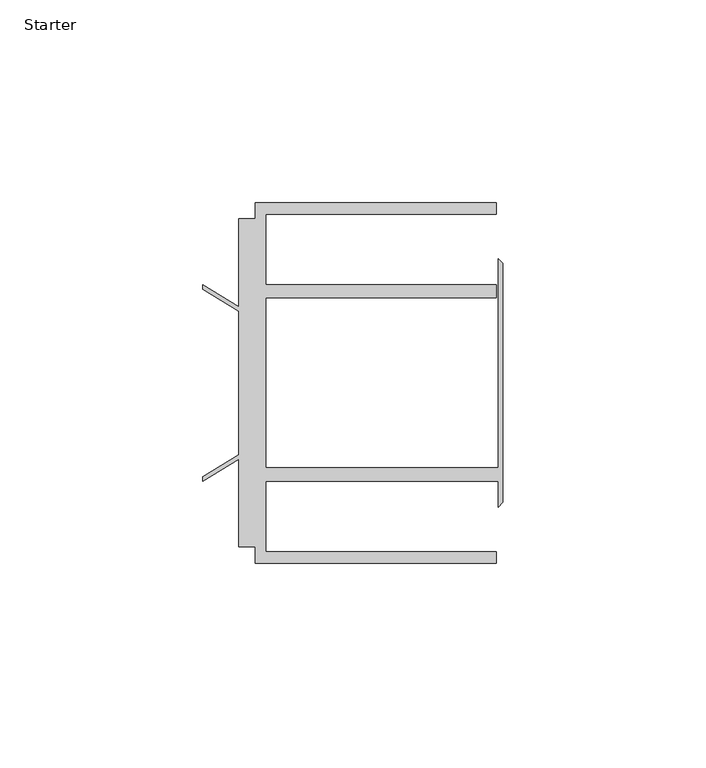
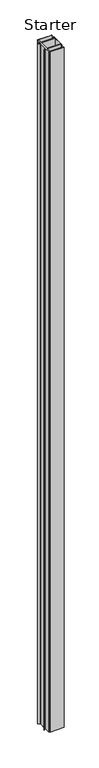
"""IFC4 building model written with IfcOpenShell, lengths in millimetres: furniture geometry, Starter."""

from ifc_helpers import new_model, si_unit, origin, origin_with_axes, place, context, project, spatial, polyline, outline, extrude, source, transform, mapped, element, save


def starter_2697f179(model_context):
    return source(origin(), model_context, "Body", "SweptSolid", [
        extrude(outline(polyline([(33.9771533, 59.951805), (93.4771531, 59.951805), (93.4771531, 57.1518064), (36.5771534, 57.1518064), (36.5771534, 39.7518058), (93.4771531, 39.7518058), (93.4771531, 36.4518057), (36.5771534, 36.4518057), (36.5771534, -5.4481956), (93.9195633, -5.4481956), (93.9195633, 46.1177636), (95.0646531, 44.9726737), (95.0646531, -13.9690637), (93.9195633, -15.1141535), (93.9195633, -8.7481957), (36.5771534, -8.7481957), (36.5771534, -26.1481963), (93.4771531, -26.1481963), (93.4771531, -28.948195), (33.9771533, -28.948195), (33.9771533, -24.9481962), (29.9771531, -24.9481962), (29.9771531, -3.3413694), (21.0330919, -8.7481957), (21.0330919, -7.5934952), (29.9771531, -2.1866688), (29.9771531, 33.1902789), (21.0330919, 38.5971052), (21.0330919, 39.7518058), (29.9771531, 34.3449795), (29.9771531, 55.9518063), (33.9771533, 55.9518063), (33.9771533, 59.951805)])), origin_with_axes(), (0.0, 0.0, 1.0), 3048.0),
    ])


if __name__ == "__main__":
    model = new_model("IFC4")
    model_context = context("Model", 3, world=origin())
    ifc_project = project(units=[si_unit("LENGTHUNIT", "METRE", prefix="MILLI")], contexts=[model_context])
    site = spatial("IfcSite", under=ifc_project)
    building = spatial("IfcBuilding", under=site)
    placement = place(None, origin())
    starter_shape = starter_2697f179(model_context)
    element("IfcFurniture", 1, ObjectType="Starter", at=placement, inside=building, context=model_context, shape_type="MappedRepresentation", body=[
        mapped(starter_shape, transform((0.0, 0.0, 0.0), x_axis=(1.0, 0.0, 0.0), y_axis=(0.0, 1.0, 0.0), z_axis=(0.0, 0.0, 1.0))),
    ])
    save(model, "model.ifc")
